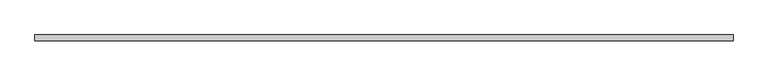
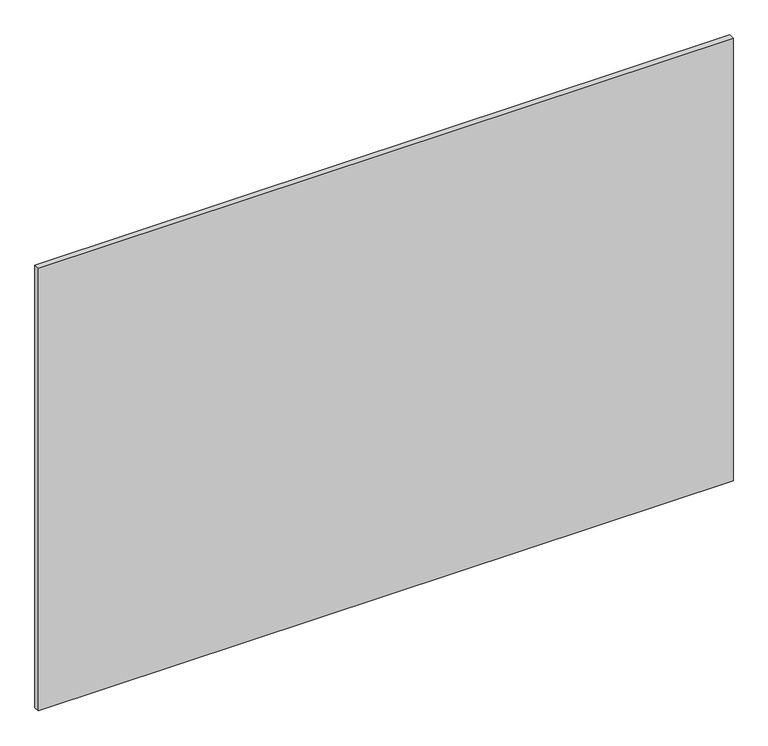
"""IFC4 building model written with IfcOpenShell, lengths in millimetres: plate geometry."""

import ifcopenshell
import ifcopenshell.guid

model = None  # the IFC model being written
_history = None  # IfcOwnerHistory: only IFC2X3 demands one
_inside = {}  # id of a spatial element -> (the spatial element, [elements in it])
_under = {}  # id of a project, library or spatial element -> (it, [spatial elements below it])
_declared = {}  # id of a project -> (the project, [libraries it declares])
_typed = {}  # id of a type object -> (the type object, [elements of that type])
_made_of = {}  # id of a material, layer set ... -> (it, [elements and type objects made of it])


def new_model(schema):
    """Start an empty IFC model of exactly this schema.

    Asked for "IFC4X3", IfcOpenShell would pick the latest addendum, in which some entities
    have other attributes; the version numbers below select the first issue.
    IFC2X3 requires an IfcOwnerHistory on every rooted entity: one is made here for all.
    """
    global model, _history
    if schema == "IFC4X3":
        model = ifcopenshell.file(schema_version=(4, 3, 0, 0))
    else:
        model = ifcopenshell.file(schema=schema)
    _inside.clear()
    _under.clear()
    _declared.clear()
    _typed.clear()
    _made_of.clear()
    _history = None
    if model.schema == "IFC2X3":
        org = make("IfcOrganization", Name="unknown")
        user = make(
            "IfcPersonAndOrganization",
            ThePerson=make("IfcPerson", FamilyName="unknown"),
            TheOrganization=org,
        )
        app = make(
            "IfcApplication",
            ApplicationDeveloper=org,
            Version="unknown",
            ApplicationFullName="unknown",
            ApplicationIdentifier="unknown",
        )
        _history = make(
            "IfcOwnerHistory",
            OwningUser=user,
            OwningApplication=app,
            ChangeAction="ADDED",
            CreationDate=0,
        )
    return model


def make(cls, **values):
    """One entity of the class cls with the attributes given. An attribute that is None is left unset."""
    return model.create_entity(
        cls, **{name: value for name, value in values.items() if value is not None}
    )


def rooted(cls, **values):
    """An entity with a GlobalId (a new one), such as an element, a storey or a relation."""
    return make(cls, GlobalId=ifcopenshell.guid.new(), OwnerHistory=_history, **values)


def si_unit(unit_type, name, prefix=None):
    """IfcSIUnit, for example si_unit("LENGTHUNIT", "METRE", prefix="MILLI")."""
    return make("IfcSIUnit", UnitType=unit_type, Prefix=prefix, Name=name)


def assignment(units):
    """IfcUnitAssignment: the units of a project."""
    return None if units is None else make("IfcUnitAssignment", Units=units)


def point(xyz):
    """IfcCartesianPoint."""
    return None if xyz is None else make("IfcCartesianPoint", Coordinates=xyz)


def direction(xyz):
    """IfcDirection."""
    return None if xyz is None else make("IfcDirection", DirectionRatios=xyz)


def frame(location, z_axis=None, x_axis=None):
    """IfcAxis2Placement3D, a coordinate frame: its origin and axes. An axis left out is left unset."""
    return make(
        "IfcAxis2Placement3D",
        Location=point(location),
        Axis=direction(z_axis),
        RefDirection=direction(x_axis),
    )


def origin():
    """The frame at (0, 0, 0) with its axes left unset."""
    return frame((0.0, 0.0, 0.0))


def origin_with_axes():
    """The frame at (0, 0, 0) with the z axis (0, 0, 1) and the x axis (1, 0, 0) written out."""
    return frame((0.0, 0.0, 0.0), z_axis=(0.0, 0.0, 1.0), x_axis=(1.0, 0.0, 0.0))


def place(relative_to, where):
    """IfcLocalPlacement: puts the frame where relative to a parent placement (None: the world)."""
    return make(
        "IfcLocalPlacement", PlacementRelTo=relative_to, RelativePlacement=where
    )


def context(
    kind, dimensions, precision=None, world=None, true_north=None, identifier=None
):
    """IfcGeometricRepresentationContext, for example the 3D "Model" context."""
    return make(
        "IfcGeometricRepresentationContext",
        ContextIdentifier=identifier,
        ContextType=kind,
        CoordinateSpaceDimension=dimensions,
        Precision=precision,
        WorldCoordinateSystem=world,
        TrueNorth=true_north,
    )


def project(units=None, contexts=None):
    """IfcProject with its units and contexts."""
    return rooted(
        "IfcProject",
        Name="project",
        RepresentationContexts=contexts,
        UnitsInContext=assignment(units),
    )


def spatial(cls, under=None, at=None, **own):
    """A site, building, storey or space (cls), placed at a placement, below another one or the project."""
    s = rooted(cls, ObjectPlacement=at, **own)
    if under is not None:
        _under.setdefault(under.id(), (under, []))[1].append(s)
    return s


def polyline(points):
    """IfcPolyline through the points."""
    return make("IfcPolyline", Points=[point(p) for p in points])


def outline(outer, holes=None, kind="AREA"):
    """IfcArbitraryClosedProfileDef: a profile drawn as a closed curve; with holes, ...WithVoids."""
    if holes is None:
        return make("IfcArbitraryClosedProfileDef", ProfileType=kind, OuterCurve=outer)
    return make(
        "IfcArbitraryProfileDefWithVoids",
        ProfileType=kind,
        OuterCurve=outer,
        InnerCurves=holes,
    )


def extrude(swept, where, along, depth):
    """IfcExtrudedAreaSolid: the profile swept, set in the frame where, extruded along a direction by depth."""
    return make(
        "IfcExtrudedAreaSolid",
        SweptArea=swept,
        Position=where,
        ExtrudedDirection=direction(along),
        Depth=depth,
    )


def shape(context_of_items, identifier, shape_type, items):
    """IfcShapeRepresentation: the items that make up one representation, for example the "Body"."""
    return make(
        "IfcShapeRepresentation",
        ContextOfItems=context_of_items,
        RepresentationIdentifier=identifier,
        RepresentationType=shape_type,
        Items=items,
    )


def source(mapping_origin, context_of_items, identifier, shape_type, items):
    """IfcRepresentationMap: a shape defined once, which mapped items show again and again."""
    return make(
        "IfcRepresentationMap",
        MappingOrigin=mapping_origin,
        MappedRepresentation=shape(context_of_items, identifier, shape_type, items),
    )


def transform(
    local_origin,
    x_axis=None,
    y_axis=None,
    z_axis=None,
    scale=None,
    scale2=None,
    scale3=None,
    uniform=True,
):
    """IfcCartesianTransformationOperator3D, or its non-uniform kind. x_axis, y_axis, z_axis: its Axis1, 2, 3."""
    if uniform:
        return make(
            "IfcCartesianTransformationOperator3D",
            Axis1=direction(x_axis),
            Axis2=direction(y_axis),
            LocalOrigin=point(local_origin),
            Scale=scale,
            Axis3=direction(z_axis),
        )
    return make(
        "IfcCartesianTransformationOperator3DnonUniform",
        Axis1=direction(x_axis),
        Axis2=direction(y_axis),
        LocalOrigin=point(local_origin),
        Scale=scale,
        Axis3=direction(z_axis),
        Scale2=scale2,
        Scale3=scale3,
    )


def mapped(mapping_source, mapping_target):
    """IfcMappedItem: shows the shape of a source again, moved by a transform."""
    return make(
        "IfcMappedItem", MappingSource=mapping_source, MappingTarget=mapping_target
    )


def made_of(thing, what):
    """Note that an element or type object is made of a material, layer set ...; save() writes the relation."""
    if what is not None:
        _made_of.setdefault(what.id(), (what, []))[1].append(thing)
    return thing


def element(
    cls,
    number,
    at=None,
    inside=None,
    cuts=None,
    type_object=None,
    material=None,
    context=None,
    identifier="Body",
    shape_type=None,
    held_by="IfcProductDefinitionShape",
    body=None,
    shapes=None,
    **own,
):
    """One element of the class cls, such as IfcWall. Its Tag is "e" and its number.

    at: its placement. inside: the storey or other place that contains it. cuts: it is an
    opening in that element (IfcRelVoidsElement). A single representation is given by context,
    identifier, shape_type and body (its items); several are given by shapes. held_by: the class
    of the entity that holds the representations. save() writes the other relations.
    """
    e = rooted(cls, Tag="e%d" % number, ObjectPlacement=at, **own)
    if body is not None:
        shapes = [shape(context, identifier, shape_type, body)]
    if shapes is not None:
        e.Representation = make(held_by, Representations=shapes)
    if inside is not None:
        _inside.setdefault(inside.id(), (inside, []))[1].append(e)
    if cuts is not None:
        rooted(
            "IfcRelVoidsElement", RelatingBuildingElement=cuts, RelatedOpeningElement=e
        )
    if type_object is not None:
        _typed.setdefault(type_object.id(), (type_object, []))[1].append(e)
    return made_of(e, material)


def aggregate(whole, parts):
    """IfcRelAggregates: a whole, such as a stair, and the parts it consists of."""
    return rooted("IfcRelAggregates", RelatingObject=whole, RelatedObjects=parts)


def save(model, path):
    """Write the relations noted so far, then the file.

    IfcRelAggregates (storeys below a building ...), IfcRelContainedInSpatialStructure (elements
    in a storey), IfcRelDefinesByType, IfcRelAssociatesMaterial and IfcRelDeclares: one each for
    every whole, place, type object, material and project.
    """
    for whole, parts in _under.values():
        aggregate(whole, parts)
    for where, things in _inside.values():
        rooted(
            "IfcRelContainedInSpatialStructure",
            RelatedElements=things,
            RelatingStructure=where,
        )
    for kind, things in _typed.values():
        rooted("IfcRelDefinesByType", RelatedObjects=things, RelatingType=kind)
    for what, things in _made_of.values():
        rooted("IfcRelAssociatesMaterial", RelatedObjects=things, RelatingMaterial=what)
    for by, libraries in _declared.values():
        rooted("IfcRelDeclares", RelatingContext=by, RelatedDefinitions=libraries)
    model.write(path)


def plate_3911aae2(model_context):
    return source(origin(), model_context, "Body", "SweptSolid", [
        extrude(outline(polyline([(612.5, 5.0), (612.5, -5.0), (-612.5, -5.0), (-612.5, 5.0), (612.5, 5.0)])), origin_with_axes(), (0.0, 0.0, 1.0), 825.0),
    ])


if __name__ == "__main__":
    model = new_model("IFC4")
    model_context = context("Model", 3, world=origin())
    ifc_project = project(units=[si_unit("LENGTHUNIT", "METRE", prefix="MILLI")], contexts=[model_context])
    site = spatial("IfcSite", under=ifc_project)
    building = spatial("IfcBuilding", under=site)
    placement = place(None, origin())
    plate_shape = plate_3911aae2(model_context)
    element("IfcPlate", 1, at=placement, inside=building, context=model_context, shape_type="MappedRepresentation", body=[
        mapped(plate_shape, transform((0.0, 0.0, 0.0), x_axis=(1.0, 0.0, 0.0), y_axis=(0.0, 1.0, 0.0), z_axis=(0.0, 0.0, 1.0))),
    ])
    save(model, "model.ifc")
